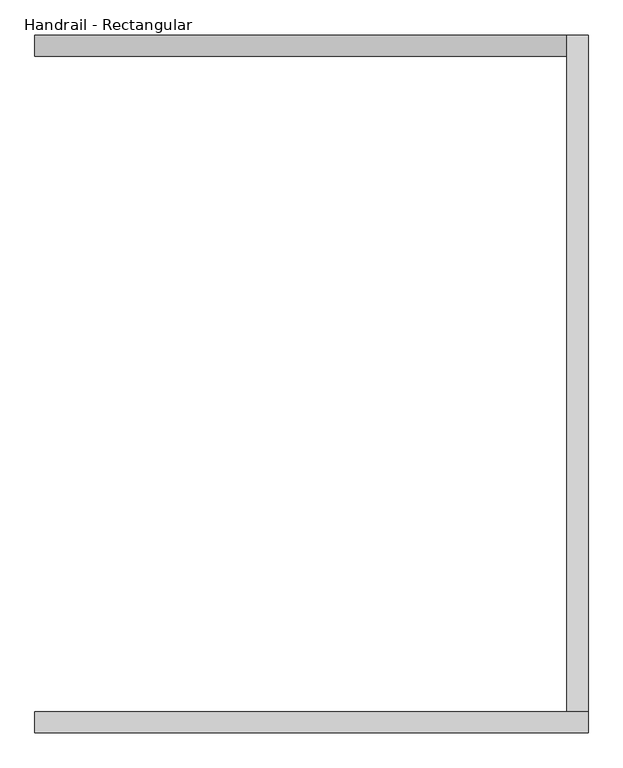
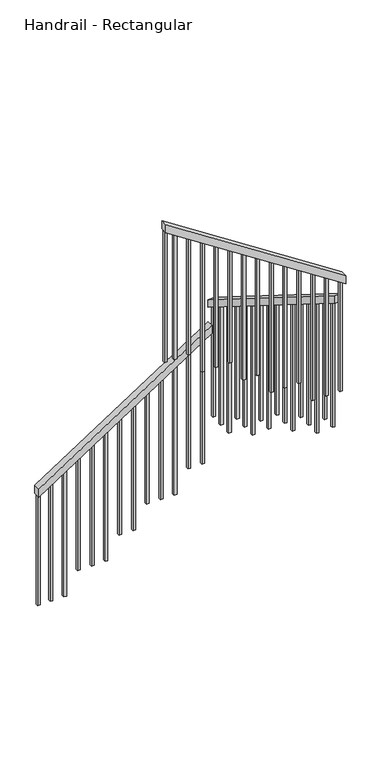
"""IFC4 building model written with IfcOpenShell, lengths in millimetres: railing geometry, Handrail - Rectangular."""

from ifc_helpers import new_model, si_unit, frame, origin, place, context, project, spatial, polyline, outline, extrude, source, transform, mapped, element, save


def handrail_rectangular_9dec6c78(model_context):
    return source(origin(), model_context, "Body", "SweptSolid", [
        extrude(outline(polyline([(1083.2888889, 1933.1758983), (1022.7122665, 1933.1758983), (1850.6575656, 3207.7758983), (1911.234188, 3207.7758983), (1083.2888889, 1933.1758983)])), frame((0.0, -396.8689024, 0.0), z_axis=(0.0, 1.0, 0.0), x_axis=(0.0, 0.0, 1.0)), (0.0, 0.0, 1.0), 50.8),
        extrude(outline(polyline([(-346.0689024, 2080.7341564), (-346.0689024, 2020.8145223), (-1966.0689024, 3034.1478557), (-1966.0689024, 3094.0674897), (-346.0689024, 2080.7341564)])), frame((3207.7758983, 0.0, 0.0), z_axis=(1.0, 0.0, 0.0), x_axis=(0.0, 1.0, 0.0)), (0.0, 0.0, 1.0), 50.8),
        extrude(outline(polyline([(3201.7686767, 3258.5758983), (3262.3452991, 3258.5758983), (4123.2888889, 1933.1758983), (4062.7122665, 1933.1758983), (3201.7686767, 3258.5758983)])), frame((0.0, -2016.8689024, 0.0), z_axis=(0.0, 1.0, 0.0), x_axis=(0.0, 0.0, 1.0)), (0.0, 0.0, 1.0), 50.8),
        extrude(outline(polyline([(4004.0396169, 2023.5008983), (4016.4139759, 2004.4508983), (3040.0, 2004.4508983), (3040.0, 2023.5008983), (4004.0396169, 2023.5008983)])), frame((0.0, -2000.9939024, 0.0), z_axis=(0.0, 1.0, 0.0), x_axis=(0.0, 0.0, 1.0)), (0.0, 0.0, 1.0), 19.05),
        extrude(outline(polyline([(3938.0430357, 2125.1008983), (3950.4173947, 2106.0508983), (3040.0, 2106.0508983), (3040.0, 2125.1008983), (3938.0430357, 2125.1008983)])), frame((0.0, -2000.9939024, 0.0), z_axis=(0.0, 1.0, 0.0), x_axis=(0.0, 0.0, 1.0)), (0.0, 0.0, 1.0), 19.05),
        extrude(outline(polyline([(3872.0464545, 2226.7008983), (3884.4208135, 2207.6508983), (2871.1111111, 2207.6508983), (2871.1111111, 2226.7008983), (3872.0464545, 2226.7008983)])), frame((0.0, -2000.9939024, 0.0), z_axis=(0.0, 1.0, 0.0), x_axis=(0.0, 0.0, 1.0)), (0.0, 0.0, 1.0), 19.05),
        extrude(outline(polyline([(3806.0498733, 2328.3008983), (3818.4242323, 2309.2508983), (2871.1111111, 2309.2508983), (2871.1111111, 2328.3008983), (3806.0498733, 2328.3008983)])), frame((0.0, -2000.9939024, 0.0), z_axis=(0.0, 1.0, 0.0), x_axis=(0.0, 0.0, 1.0)), (0.0, 0.0, 1.0), 19.05),
        extrude(outline(polyline([(3740.0532921, 2429.9008983), (3752.4276511, 2410.8508983), (2871.1111111, 2410.8508983), (2871.1111111, 2429.9008983), (3740.0532921, 2429.9008983)])), frame((0.0, -2000.9939024, 0.0), z_axis=(0.0, 1.0, 0.0), x_axis=(0.0, 0.0, 1.0)), (0.0, 0.0, 1.0), 19.05),
        extrude(outline(polyline([(3674.0567109, 2531.5008983), (3686.4310699, 2512.4508983), (2702.2222222, 2512.4508983), (2702.2222222, 2531.5008983), (3674.0567109, 2531.5008983)])), frame((0.0, -2000.9939024, 0.0), z_axis=(0.0, 1.0, 0.0), x_axis=(0.0, 0.0, 1.0)), (0.0, 0.0, 1.0), 19.05),
        extrude(outline(polyline([(3608.0601297, 2633.1008983), (3620.4344887, 2614.0508983), (2702.2222222, 2614.0508983), (2702.2222222, 2633.1008983), (3608.0601297, 2633.1008983)])), frame((0.0, -2000.9939024, 0.0), z_axis=(0.0, 1.0, 0.0), x_axis=(0.0, 0.0, 1.0)), (0.0, 0.0, 1.0), 19.05),
        extrude(outline(polyline([(3542.0635485, 2734.7008983), (3554.4379075, 2715.6508983), (2533.3333333, 2715.6508983), (2533.3333333, 2734.7008983), (3542.0635485, 2734.7008983)])), frame((0.0, -2000.9939024, 0.0), z_axis=(0.0, 1.0, 0.0), x_axis=(0.0, 0.0, 1.0)), (0.0, 0.0, 1.0), 19.05),
        extrude(outline(polyline([(3476.0669673, 2836.3008983), (3488.4413263, 2817.2508983), (2533.3333333, 2817.2508983), (2533.3333333, 2836.3008983), (3476.0669673, 2836.3008983)])), frame((0.0, -2000.9939024, 0.0), z_axis=(0.0, 1.0, 0.0), x_axis=(0.0, 0.0, 1.0)), (0.0, 0.0, 1.0), 19.05),
        extrude(outline(polyline([(3410.0703861, 2937.9008983), (3422.4447451, 2918.8508983), (2533.3333333, 2918.8508983), (2533.3333333, 2937.9008983), (3410.0703861, 2937.9008983)])), frame((0.0, -2000.9939024, 0.0), z_axis=(0.0, 1.0, 0.0), x_axis=(0.0, 0.0, 1.0)), (0.0, 0.0, 1.0), 19.05),
        extrude(outline(polyline([(3344.0738049, 3039.5008983), (3356.4481639, 3020.4508983), (2364.4444444, 3020.4508983), (2364.4444444, 3039.5008983), (3344.0738049, 3039.5008983)])), frame((0.0, -2000.9939024, 0.0), z_axis=(0.0, 1.0, 0.0), x_axis=(0.0, 0.0, 1.0)), (0.0, 0.0, 1.0), 19.05),
        extrude(outline(polyline([(3278.0772237, 3141.1008983), (3290.4515827, 3122.0508983), (2364.4444444, 3122.0508983), (2364.4444444, 3141.1008983), (3278.0772237, 3141.1008983)])), frame((0.0, -2000.9939024, 0.0), z_axis=(0.0, 1.0, 0.0), x_axis=(0.0, 0.0, 1.0)), (0.0, 0.0, 1.0), 19.05),
        extrude(outline(polyline([(-1904.9939024, 2995.9445635), (-1885.9439024, 2984.0285141), (-1885.9439024, 2026.6666667), (-1904.9939024, 2026.6666667), (-1904.9939024, 2995.9445635)])), frame((3223.6508983, 0.0, 0.0), z_axis=(1.0, 0.0, 0.0), x_axis=(0.0, 1.0, 0.0)), (0.0, 0.0, 1.0), 19.05),
        extrude(outline(polyline([(-1803.3939024, 2932.3923001), (-1784.3439024, 2920.4762507), (-1784.3439024, 2026.6666667), (-1803.3939024, 2026.6666667), (-1803.3939024, 2932.3923001)])), frame((3223.6508983, 0.0, 0.0), z_axis=(1.0, 0.0, 0.0), x_axis=(0.0, 1.0, 0.0)), (0.0, 0.0, 1.0), 19.05),
        extrude(outline(polyline([(-1701.7939024, 2868.8400367), (-1682.7439024, 2856.9239873), (-1682.7439024, 1857.7777778), (-1701.7939024, 1857.7777778), (-1701.7939024, 2868.8400367)])), frame((3223.6508983, 0.0, 0.0), z_axis=(1.0, 0.0, 0.0), x_axis=(0.0, 1.0, 0.0)), (0.0, 0.0, 1.0), 19.05),
        extrude(outline(polyline([(-1600.1939024, 2805.2877734), (-1581.1439024, 2793.371724), (-1581.1439024, 1857.7777778), (-1600.1939024, 1857.7777778), (-1600.1939024, 2805.2877734)])), frame((3223.6508983, 0.0, 0.0), z_axis=(1.0, 0.0, 0.0), x_axis=(0.0, 1.0, 0.0)), (0.0, 0.0, 1.0), 19.05),
        extrude(outline(polyline([(-1498.5939024, 2741.73551), (-1479.5439024, 2729.8194606), (-1479.5439024, 1857.7777778), (-1498.5939024, 1857.7777778), (-1498.5939024, 2741.73551)])), frame((3223.6508983, 0.0, 0.0), z_axis=(1.0, 0.0, 0.0), x_axis=(0.0, 1.0, 0.0)), (0.0, 0.0, 1.0), 19.05),
        extrude(outline(polyline([(-1396.9939024, 2678.1832466), (-1377.9439024, 2666.2671972), (-1377.9439024, 1688.8888889), (-1396.9939024, 1688.8888889), (-1396.9939024, 2678.1832466)])), frame((3223.6508983, 0.0, 0.0), z_axis=(1.0, 0.0, 0.0), x_axis=(0.0, 1.0, 0.0)), (0.0, 0.0, 1.0), 19.05),
        extrude(outline(polyline([(-1295.3939024, 2614.6309832), (-1276.3439024, 2602.7149338), (-1276.3439024, 1688.8888889), (-1295.3939024, 1688.8888889), (-1295.3939024, 2614.6309832)])), frame((3223.6508983, 0.0, 0.0), z_axis=(1.0, 0.0, 0.0), x_axis=(0.0, 1.0, 0.0)), (0.0, 0.0, 1.0), 19.05),
        extrude(outline(polyline([(-1193.7939024, 2551.0787199), (-1174.7439024, 2539.1626705), (-1174.7439024, 1688.8888889), (-1193.7939024, 1688.8888889), (-1193.7939024, 2551.0787199)])), frame((3223.6508983, 0.0, 0.0), z_axis=(1.0, 0.0, 0.0), x_axis=(0.0, 1.0, 0.0)), (0.0, 0.0, 1.0), 19.05),
        extrude(outline(polyline([(-1092.1939024, 2487.5264565), (-1073.1439024, 2475.6104071), (-1073.1439024, 1520.0), (-1092.1939024, 1520.0), (-1092.1939024, 2487.5264565)])), frame((3223.6508983, 0.0, 0.0), z_axis=(1.0, 0.0, 0.0), x_axis=(0.0, 1.0, 0.0)), (0.0, 0.0, 1.0), 19.05),
        extrude(outline(polyline([(-990.5939024, 2423.9741931), (-971.5439024, 2412.0581437), (-971.5439024, 1520.0), (-990.5939024, 1520.0), (-990.5939024, 2423.9741931)])), frame((3223.6508983, 0.0, 0.0), z_axis=(1.0, 0.0, 0.0), x_axis=(0.0, 1.0, 0.0)), (0.0, 0.0, 1.0), 19.05),
        extrude(outline(polyline([(-888.9939024, 2360.4219297), (-869.9439024, 2348.5058804), (-869.9439024, 1351.1111111), (-888.9939024, 1351.1111111), (-888.9939024, 2360.4219297)])), frame((3223.6508983, 0.0, 0.0), z_axis=(1.0, 0.0, 0.0), x_axis=(0.0, 1.0, 0.0)), (0.0, 0.0, 1.0), 19.05),
        extrude(outline(polyline([(-787.3939024, 2296.8696664), (-768.3439024, 2284.953617), (-768.3439024, 1351.1111111), (-787.3939024, 1351.1111111), (-787.3939024, 2296.8696664)])), frame((3223.6508983, 0.0, 0.0), z_axis=(1.0, 0.0, 0.0), x_axis=(0.0, 1.0, 0.0)), (0.0, 0.0, 1.0), 19.05),
        extrude(outline(polyline([(-685.7939024, 2233.317403), (-666.7439024, 2221.4013536), (-666.7439024, 1351.1111111), (-685.7939024, 1351.1111111), (-685.7939024, 2233.317403)])), frame((3223.6508983, 0.0, 0.0), z_axis=(1.0, 0.0, 0.0), x_axis=(0.0, 1.0, 0.0)), (0.0, 0.0, 1.0), 19.05),
        extrude(outline(polyline([(-584.1939024, 2169.7651396), (-565.1439024, 2157.8490902), (-565.1439024, 1182.2222222), (-584.1939024, 1182.2222222), (-584.1939024, 2169.7651396)])), frame((3223.6508983, 0.0, 0.0), z_axis=(1.0, 0.0, 0.0), x_axis=(0.0, 1.0, 0.0)), (0.0, 0.0, 1.0), 19.05),
        extrude(outline(polyline([(-482.5939024, 2106.2128762), (-463.5439024, 2094.2968269), (-463.5439024, 1182.2222222), (-482.5939024, 1182.2222222), (-482.5939024, 2106.2128762)])), frame((3223.6508983, 0.0, 0.0), z_axis=(1.0, 0.0, 0.0), x_axis=(0.0, 1.0, 0.0)), (0.0, 0.0, 1.0), 19.05),
        extrude(outline(polyline([(1820.8584203, 3161.9008983), (1808.4840614, 3142.8508983), (844.4444444, 3142.8508983), (844.4444444, 3161.9008983), (1820.8584203, 3161.9008983)])), frame((0.0, -380.9939024, 0.0), z_axis=(0.0, 1.0, 0.0), x_axis=(0.0, 0.0, 1.0)), (0.0, 0.0, 1.0), 19.05),
        extrude(outline(polyline([(1754.8618391, 3060.3008983), (1742.4874802, 3041.2508983), (844.4444444, 3041.2508983), (844.4444444, 3060.3008983), (1754.8618391, 3060.3008983)])), frame((0.0, -380.9939024, 0.0), z_axis=(0.0, 1.0, 0.0), x_axis=(0.0, 0.0, 1.0)), (0.0, 0.0, 1.0), 19.05),
        extrude(outline(polyline([(1688.8652579, 2958.7008983), (1676.490899, 2939.6508983), (675.5555556, 2939.6508983), (675.5555556, 2958.7008983), (1688.8652579, 2958.7008983)])), frame((0.0, -380.9939024, 0.0), z_axis=(0.0, 1.0, 0.0), x_axis=(0.0, 0.0, 1.0)), (0.0, 0.0, 1.0), 19.05),
        extrude(outline(polyline([(1622.8686767, 2857.1008983), (1610.4943178, 2838.0508983), (675.5555556, 2838.0508983), (675.5555556, 2857.1008983), (1622.8686767, 2857.1008983)])), frame((0.0, -380.9939024, 0.0), z_axis=(0.0, 1.0, 0.0), x_axis=(0.0, 0.0, 1.0)), (0.0, 0.0, 1.0), 19.05),
        extrude(outline(polyline([(1556.8720955, 2755.5008983), (1544.4977366, 2736.4508983), (675.5555556, 2736.4508983), (675.5555556, 2755.5008983), (1556.8720955, 2755.5008983)])), frame((0.0, -380.9939024, 0.0), z_axis=(0.0, 1.0, 0.0), x_axis=(0.0, 0.0, 1.0)), (0.0, 0.0, 1.0), 19.05),
        extrude(outline(polyline([(1490.8755143, 2653.9008983), (1478.5011554, 2634.8508983), (506.6666667, 2634.8508983), (506.6666667, 2653.9008983), (1490.8755143, 2653.9008983)])), frame((0.0, -380.9939024, 0.0), z_axis=(0.0, 1.0, 0.0), x_axis=(0.0, 0.0, 1.0)), (0.0, 0.0, 1.0), 19.05),
        extrude(outline(polyline([(1424.8789331, 2552.3008983), (1412.5045742, 2533.2508983), (506.6666667, 2533.2508983), (506.6666667, 2552.3008983), (1424.8789331, 2552.3008983)])), frame((0.0, -380.9939024, 0.0), z_axis=(0.0, 1.0, 0.0), x_axis=(0.0, 0.0, 1.0)), (0.0, 0.0, 1.0), 19.05),
        extrude(outline(polyline([(1358.882352, 2450.7008983), (1346.507993, 2431.6508983), (337.7777778, 2431.6508983), (337.7777778, 2450.7008983), (1358.882352, 2450.7008983)])), frame((0.0, -380.9939024, 0.0), z_axis=(0.0, 1.0, 0.0), x_axis=(0.0, 0.0, 1.0)), (0.0, 0.0, 1.0), 19.05),
        extrude(outline(polyline([(1292.8857708, 2349.1008983), (1280.5114118, 2330.0508983), (337.7777778, 2330.0508983), (337.7777778, 2349.1008983), (1292.8857708, 2349.1008983)])), frame((0.0, -380.9939024, 0.0), z_axis=(0.0, 1.0, 0.0), x_axis=(0.0, 0.0, 1.0)), (0.0, 0.0, 1.0), 19.05),
        extrude(outline(polyline([(1226.8891896, 2247.5008983), (1214.5148306, 2228.4508983), (337.7777778, 2228.4508983), (337.7777778, 2247.5008983), (1226.8891896, 2247.5008983)])), frame((0.0, -380.9939024, 0.0), z_axis=(0.0, 1.0, 0.0), x_axis=(0.0, 0.0, 1.0)), (0.0, 0.0, 1.0), 19.05),
        extrude(outline(polyline([(1160.8926084, 2145.9008983), (1148.5182494, 2126.8508983), (168.8888889, 2126.8508983), (168.8888889, 2145.9008983), (1160.8926084, 2145.9008983)])), frame((0.0, -380.9939024, 0.0), z_axis=(0.0, 1.0, 0.0), x_axis=(0.0, 0.0, 1.0)), (0.0, 0.0, 1.0), 19.05),
        extrude(outline(polyline([(1094.8960272, 2044.3008983), (1082.5216682, 2025.2508983), (168.8888889, 2025.2508983), (168.8888889, 2044.3008983), (1094.8960272, 2044.3008983)])), frame((0.0, -380.9939024, 0.0), z_axis=(0.0, 1.0, 0.0), x_axis=(0.0, 0.0, 1.0)), (0.0, 0.0, 1.0), 19.05),
        extrude(outline(polyline([(3212.0806425, 3242.7008983), (3224.4550015, 3223.6508983), (2364.4444444, 3223.6508983), (2364.4444444, 3242.7008983), (3212.0806425, 3242.7008983)])), frame((0.0, -2000.9939024, 0.0), z_axis=(0.0, 1.0, 0.0), x_axis=(0.0, 0.0, 1.0)), (0.0, 0.0, 1.0), 19.05),
        extrude(outline(polyline([(-380.9939024, 2042.6606129), (-361.9439024, 2030.7445635), (-361.9439024, 1182.2222222), (-380.9939024, 1182.2222222), (-380.9939024, 2042.6606129)])), frame((3223.6508983, 0.0, 0.0), z_axis=(1.0, 0.0, 0.0), x_axis=(0.0, 1.0, 0.0)), (0.0, 0.0, 1.0), 19.05),
        extrude(outline(polyline([(4050.3379075, 1952.2258983), (4062.7122665, 1933.1758983), (3040.0, 1933.1758983), (3040.0, 1952.2258983), (4050.3379075, 1952.2258983)])), frame((0.0, -2000.9939024, 0.0), z_axis=(0.0, 1.0, 0.0), x_axis=(0.0, 0.0, 1.0)), (0.0, 0.0, 1.0), 19.05),
        extrude(outline(polyline([(1035.0866255, 1952.2258983), (1022.7122665, 1933.1758983), (168.8888889, 1933.1758983), (168.8888889, 1952.2258983), (1035.0866255, 1952.2258983)])), frame((0.0, -380.9939024, 0.0), z_axis=(0.0, 1.0, 0.0), x_axis=(0.0, 0.0, 1.0)), (0.0, 0.0, 1.0), 19.05),
    ])


if __name__ == "__main__":
    model = new_model("IFC4")
    model_context = context("Model", 3, world=origin())
    ifc_project = project(units=[si_unit("LENGTHUNIT", "METRE", prefix="MILLI")], contexts=[model_context])
    site = spatial("IfcSite", under=ifc_project)
    building = spatial("IfcBuilding", under=site)
    placement = place(None, origin())
    handrail_rectangular_shape = handrail_rectangular_9dec6c78(model_context)
    element("IfcRailing", 1, ObjectType="Handrail - Rectangular", at=placement, inside=building, context=model_context, shape_type="MappedRepresentation", body=[
        mapped(handrail_rectangular_shape, transform((0.0, 0.0, 0.0), x_axis=(1.0, 0.0, 0.0), y_axis=(0.0, 1.0, 0.0), z_axis=(0.0, 0.0, 1.0))),
    ])
    save(model, "model.ifc")
